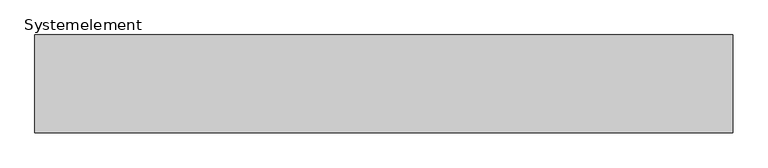
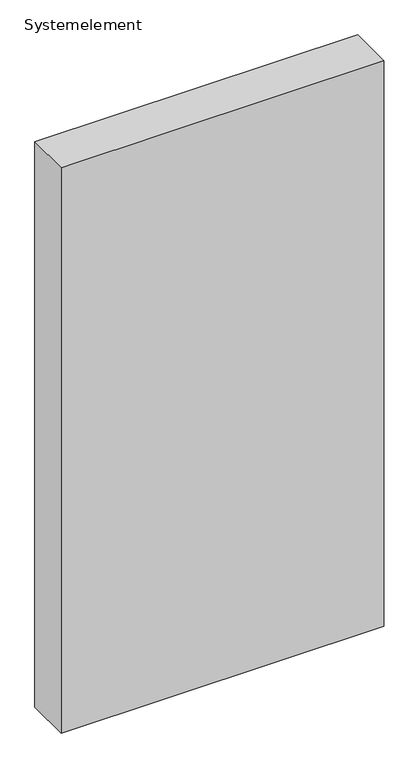
"""IFC4 building model written with IfcOpenShell, lengths in millimetres: plate geometry, Systemelement."""

from ifc_helpers import new_model, si_unit, origin, origin_with_axes, place, context, project, spatial, polyline, outline, extrude, source, transform, mapped, element, save


def systemelement_44c61cf1(model_context):
    return source(origin(), model_context, "Body", "SweptSolid", [
        extrude(outline(polyline([(500.0, -140.0), (-500.0, -140.0), (-500.0, 0.0), (500.0, 0.0), (500.0, -140.0)])), origin_with_axes(), (0.0, 0.0, 1.0), 1851.6147161),
    ])


if __name__ == "__main__":
    model = new_model("IFC4")
    model_context = context("Model", 3, world=origin())
    ifc_project = project(units=[si_unit("LENGTHUNIT", "METRE", prefix="MILLI")], contexts=[model_context])
    site = spatial("IfcSite", under=ifc_project)
    building = spatial("IfcBuilding", under=site)
    placement = place(None, origin())
    systemelement_shape = systemelement_44c61cf1(model_context)
    element("IfcPlate", 1, ObjectType="Systemelement", at=placement, inside=building, context=model_context, shape_type="MappedRepresentation", body=[
        mapped(systemelement_shape, transform((0.0, 0.0, 0.0), x_axis=(1.0, 0.0, 0.0), y_axis=(0.0, 1.0, 0.0), z_axis=(0.0, 0.0, 1.0))),
    ])
    save(model, "model.ifc")
